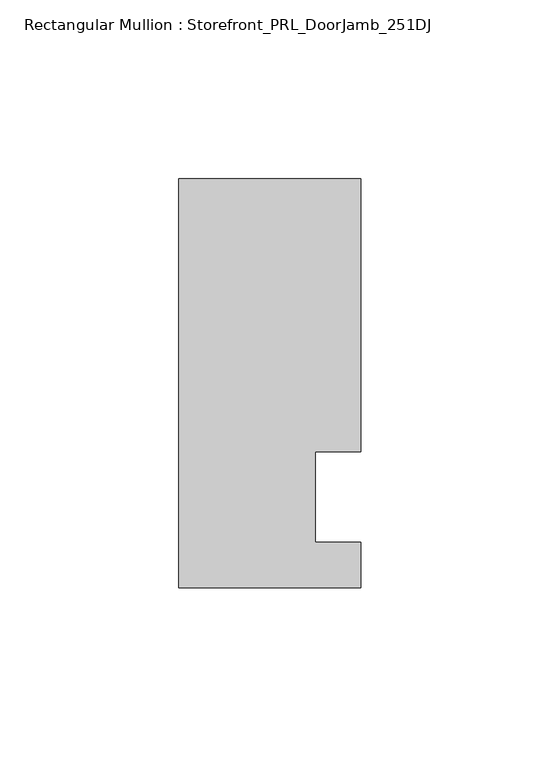
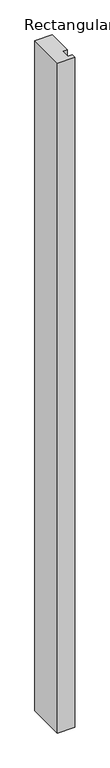
"""IFC4 building model written with IfcOpenShell, lengths in millimetres: member geometry, Rectangular Mullion : Storefront_PRL_DoorJamb_251DJ."""

import ifcopenshell
import ifcopenshell.guid

model = None  # the IFC model being written
_history = None  # IfcOwnerHistory: only IFC2X3 demands one
_inside = {}  # id of a spatial element -> (the spatial element, [elements in it])
_under = {}  # id of a project, library or spatial element -> (it, [spatial elements below it])
_declared = {}  # id of a project -> (the project, [libraries it declares])
_typed = {}  # id of a type object -> (the type object, [elements of that type])
_made_of = {}  # id of a material, layer set ... -> (it, [elements and type objects made of it])


def new_model(schema):
    """Start an empty IFC model of exactly this schema.

    Asked for "IFC4X3", IfcOpenShell would pick the latest addendum, in which some entities
    have other attributes; the version numbers below select the first issue.
    IFC2X3 requires an IfcOwnerHistory on every rooted entity: one is made here for all.
    """
    global model, _history
    if schema == "IFC4X3":
        model = ifcopenshell.file(schema_version=(4, 3, 0, 0))
    else:
        model = ifcopenshell.file(schema=schema)
    _inside.clear()
    _under.clear()
    _declared.clear()
    _typed.clear()
    _made_of.clear()
    _history = None
    if model.schema == "IFC2X3":
        org = make("IfcOrganization", Name="unknown")
        user = make(
            "IfcPersonAndOrganization",
            ThePerson=make("IfcPerson", FamilyName="unknown"),
            TheOrganization=org,
        )
        app = make(
            "IfcApplication",
            ApplicationDeveloper=org,
            Version="unknown",
            ApplicationFullName="unknown",
            ApplicationIdentifier="unknown",
        )
        _history = make(
            "IfcOwnerHistory",
            OwningUser=user,
            OwningApplication=app,
            ChangeAction="ADDED",
            CreationDate=0,
        )
    return model


def make(cls, **values):
    """One entity of the class cls with the attributes given. An attribute that is None is left unset."""
    return model.create_entity(
        cls, **{name: value for name, value in values.items() if value is not None}
    )


def rooted(cls, **values):
    """An entity with a GlobalId (a new one), such as an element, a storey or a relation."""
    return make(cls, GlobalId=ifcopenshell.guid.new(), OwnerHistory=_history, **values)


def si_unit(unit_type, name, prefix=None):
    """IfcSIUnit, for example si_unit("LENGTHUNIT", "METRE", prefix="MILLI")."""
    return make("IfcSIUnit", UnitType=unit_type, Prefix=prefix, Name=name)


def assignment(units):
    """IfcUnitAssignment: the units of a project."""
    return None if units is None else make("IfcUnitAssignment", Units=units)


def point(xyz):
    """IfcCartesianPoint."""
    return None if xyz is None else make("IfcCartesianPoint", Coordinates=xyz)


def direction(xyz):
    """IfcDirection."""
    return None if xyz is None else make("IfcDirection", DirectionRatios=xyz)


def frame(location, z_axis=None, x_axis=None):
    """IfcAxis2Placement3D, a coordinate frame: its origin and axes. An axis left out is left unset."""
    return make(
        "IfcAxis2Placement3D",
        Location=point(location),
        Axis=direction(z_axis),
        RefDirection=direction(x_axis),
    )


def origin():
    """The frame at (0, 0, 0) with its axes left unset."""
    return frame((0.0, 0.0, 0.0))


def place(relative_to, where):
    """IfcLocalPlacement: puts the frame where relative to a parent placement (None: the world)."""
    return make(
        "IfcLocalPlacement", PlacementRelTo=relative_to, RelativePlacement=where
    )


def context(
    kind, dimensions, precision=None, world=None, true_north=None, identifier=None
):
    """IfcGeometricRepresentationContext, for example the 3D "Model" context."""
    return make(
        "IfcGeometricRepresentationContext",
        ContextIdentifier=identifier,
        ContextType=kind,
        CoordinateSpaceDimension=dimensions,
        Precision=precision,
        WorldCoordinateSystem=world,
        TrueNorth=true_north,
    )


def project(units=None, contexts=None):
    """IfcProject with its units and contexts."""
    return rooted(
        "IfcProject",
        Name="project",
        RepresentationContexts=contexts,
        UnitsInContext=assignment(units),
    )


def spatial(cls, under=None, at=None, **own):
    """A site, building, storey or space (cls), placed at a placement, below another one or the project."""
    s = rooted(cls, ObjectPlacement=at, **own)
    if under is not None:
        _under.setdefault(under.id(), (under, []))[1].append(s)
    return s


def polyline(points):
    """IfcPolyline through the points."""
    return make("IfcPolyline", Points=[point(p) for p in points])


def outline(outer, holes=None, kind="AREA"):
    """IfcArbitraryClosedProfileDef: a profile drawn as a closed curve; with holes, ...WithVoids."""
    if holes is None:
        return make("IfcArbitraryClosedProfileDef", ProfileType=kind, OuterCurve=outer)
    return make(
        "IfcArbitraryProfileDefWithVoids",
        ProfileType=kind,
        OuterCurve=outer,
        InnerCurves=holes,
    )


def extrude(swept, where, along, depth):
    """IfcExtrudedAreaSolid: the profile swept, set in the frame where, extruded along a direction by depth."""
    return make(
        "IfcExtrudedAreaSolid",
        SweptArea=swept,
        Position=where,
        ExtrudedDirection=direction(along),
        Depth=depth,
    )


def shape(context_of_items, identifier, shape_type, items):
    """IfcShapeRepresentation: the items that make up one representation, for example the "Body"."""
    return make(
        "IfcShapeRepresentation",
        ContextOfItems=context_of_items,
        RepresentationIdentifier=identifier,
        RepresentationType=shape_type,
        Items=items,
    )


def source(mapping_origin, context_of_items, identifier, shape_type, items):
    """IfcRepresentationMap: a shape defined once, which mapped items show again and again."""
    return make(
        "IfcRepresentationMap",
        MappingOrigin=mapping_origin,
        MappedRepresentation=shape(context_of_items, identifier, shape_type, items),
    )


def transform(
    local_origin,
    x_axis=None,
    y_axis=None,
    z_axis=None,
    scale=None,
    scale2=None,
    scale3=None,
    uniform=True,
):
    """IfcCartesianTransformationOperator3D, or its non-uniform kind. x_axis, y_axis, z_axis: its Axis1, 2, 3."""
    if uniform:
        return make(
            "IfcCartesianTransformationOperator3D",
            Axis1=direction(x_axis),
            Axis2=direction(y_axis),
            LocalOrigin=point(local_origin),
            Scale=scale,
            Axis3=direction(z_axis),
        )
    return make(
        "IfcCartesianTransformationOperator3DnonUniform",
        Axis1=direction(x_axis),
        Axis2=direction(y_axis),
        LocalOrigin=point(local_origin),
        Scale=scale,
        Axis3=direction(z_axis),
        Scale2=scale2,
        Scale3=scale3,
    )


def mapped(mapping_source, mapping_target):
    """IfcMappedItem: shows the shape of a source again, moved by a transform."""
    return make(
        "IfcMappedItem", MappingSource=mapping_source, MappingTarget=mapping_target
    )


def made_of(thing, what):
    """Note that an element or type object is made of a material, layer set ...; save() writes the relation."""
    if what is not None:
        _made_of.setdefault(what.id(), (what, []))[1].append(thing)
    return thing


def element(
    cls,
    number,
    at=None,
    inside=None,
    cuts=None,
    type_object=None,
    material=None,
    context=None,
    identifier="Body",
    shape_type=None,
    held_by="IfcProductDefinitionShape",
    body=None,
    shapes=None,
    **own,
):
    """One element of the class cls, such as IfcWall. Its Tag is "e" and its number.

    at: its placement. inside: the storey or other place that contains it. cuts: it is an
    opening in that element (IfcRelVoidsElement). A single representation is given by context,
    identifier, shape_type and body (its items); several are given by shapes. held_by: the class
    of the entity that holds the representations. save() writes the other relations.
    """
    e = rooted(cls, Tag="e%d" % number, ObjectPlacement=at, **own)
    if body is not None:
        shapes = [shape(context, identifier, shape_type, body)]
    if shapes is not None:
        e.Representation = make(held_by, Representations=shapes)
    if inside is not None:
        _inside.setdefault(inside.id(), (inside, []))[1].append(e)
    if cuts is not None:
        rooted(
            "IfcRelVoidsElement", RelatingBuildingElement=cuts, RelatedOpeningElement=e
        )
    if type_object is not None:
        _typed.setdefault(type_object.id(), (type_object, []))[1].append(e)
    return made_of(e, material)


def aggregate(whole, parts):
    """IfcRelAggregates: a whole, such as a stair, and the parts it consists of."""
    return rooted("IfcRelAggregates", RelatingObject=whole, RelatedObjects=parts)


def save(model, path):
    """Write the relations noted so far, then the file.

    IfcRelAggregates (storeys below a building ...), IfcRelContainedInSpatialStructure (elements
    in a storey), IfcRelDefinesByType, IfcRelAssociatesMaterial and IfcRelDeclares: one each for
    every whole, place, type object, material and project.
    """
    for whole, parts in _under.values():
        aggregate(whole, parts)
    for where, things in _inside.values():
        rooted(
            "IfcRelContainedInSpatialStructure",
            RelatedElements=things,
            RelatingStructure=where,
        )
    for kind, things in _typed.values():
        rooted("IfcRelDefinesByType", RelatedObjects=things, RelatingType=kind)
    for what, things in _made_of.values():
        rooted("IfcRelAssociatesMaterial", RelatedObjects=things, RelatingMaterial=what)
    for by, libraries in _declared.values():
        rooted("IfcRelDeclares", RelatingContext=by, RelatedDefinitions=libraries)
    model.write(path)


def rectangular_mullion_storefront_prl_doorjamb_251dj_1cb08ba3(model_context):
    return source(origin(), model_context, "Body", "SweptSolid", [
        extrude(outline(polyline([(12.7, 12.7), (12.7, -12.7), (25.4, -12.7), (25.4, -25.4), (-25.4, -25.4), (-25.4, 88.9), (25.4, 88.9), (25.4, 12.7), (12.7, 12.7)])), frame((0.0, 0.0, -2076.45), z_axis=(0.0, 0.0, 1.0), x_axis=(1.0, 0.0, 0.0)), (0.0, 0.0, 1.0), 2076.45),
    ])


if __name__ == "__main__":
    model = new_model("IFC4")
    model_context = context("Model", 3, world=origin())
    ifc_project = project(units=[si_unit("LENGTHUNIT", "METRE", prefix="MILLI")], contexts=[model_context])
    site = spatial("IfcSite", under=ifc_project)
    building = spatial("IfcBuilding", under=site)
    placement = place(None, origin())
    rectangular_mullion_storefront_prl_doorjamb_251dj_shape = rectangular_mullion_storefront_prl_doorjamb_251dj_1cb08ba3(model_context)
    element("IfcMember", 1, ObjectType="Rectangular Mullion : Storefront_PRL_DoorJamb_251DJ", at=placement, inside=building, context=model_context, shape_type="MappedRepresentation", body=[
        mapped(rectangular_mullion_storefront_prl_doorjamb_251dj_shape, transform((0.0, 0.0, 0.0), x_axis=(1.0, 0.0, 0.0), y_axis=(0.0, 1.0, 0.0), z_axis=(0.0, 0.0, 1.0))),
    ])
    save(model, "model.ifc")
